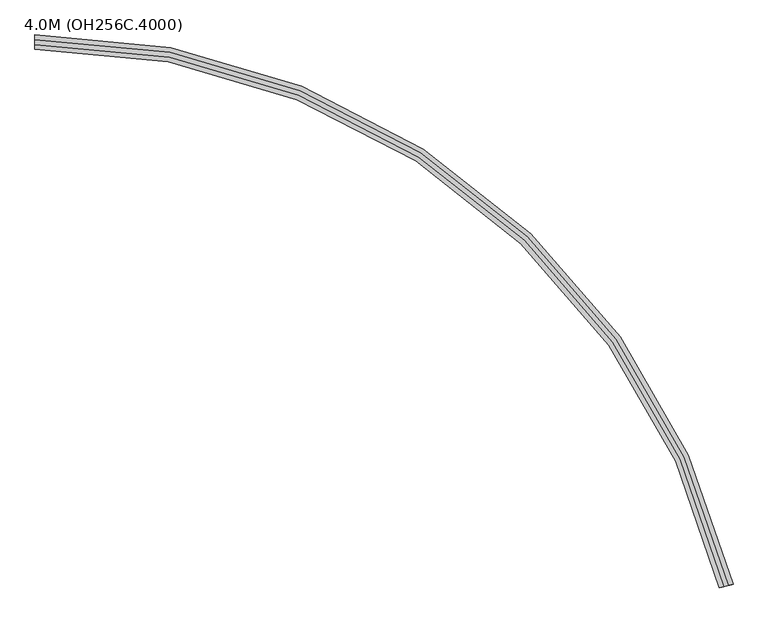
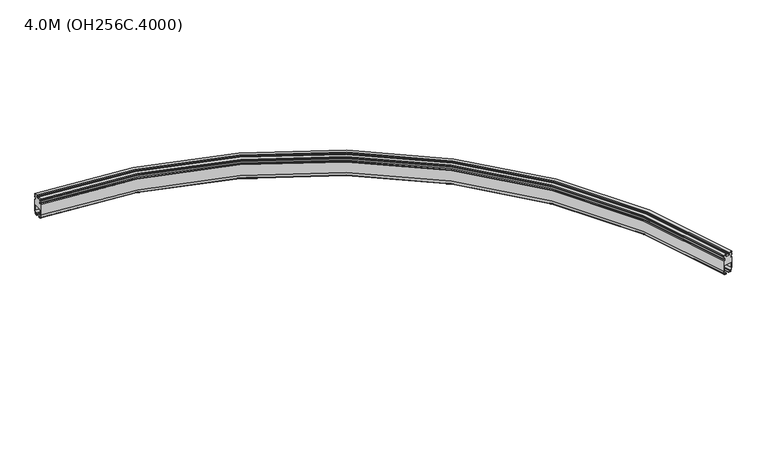
"""IFC4 building model written with IfcOpenShell, lengths in millimetres: proxy geometry, 4.0M (OH256C.4000)."""

from ifc_helpers import new_model, si_unit, point, frame, origin, place, context, project, spatial, polyline, circle_curve, ellipse_curve, trimmed, source, transform, mapped, element, save
from ifc_brep_helpers import plane_surface, cylinder_surface, revolved_surface, advanced_brep


def proxy_4_0m_oh256c_4000_3edce4ec(model_context):
    return source(origin(), model_context, "Body", "AdvancedBrep", [
        advanced_brep(
        [(-413.5740481, 330.0, 94.75), (-413.5740481, 330.0, 25.1), (-413.5740481, 324.2674695, 3.7059048), (-413.5740481, 319.4378403, 0.0), (-413.5740481, 309.025, 0.0), (-413.5740481, 309.025, 4.0), (-413.5740481, 317.9031864, 4.0), (-413.5740481, 320.8009638, 6.2235429), (-413.5740481, 326.0, 25.62661), (-413.5740481, 326.0, 55.0), (-413.5740481, 321.0, 60.0), (-413.5740481, 279.0, 60.0), (-413.5740481, 274.0, 55.0), (-413.5740481, 274.0, 25.62661), (-413.5740481, 279.1990362, 6.2235429), (-413.5740481, 282.0968136, 4.0), (-413.5740481, 290.975, 4.0), (-413.5740481, 290.975, 0.0), (-413.5740481, 280.5621597, 0.0), (-413.5740481, 275.7325305, 3.7059048), (-413.5740481, 270.0, 25.1), (-413.5740481, 270.0, 94.75), (-413.5740481, 277.0, 94.75), (-413.5740481, 277.0, 106.75), (-413.5740481, 270.0, 106.75), (-413.5740481, 270.0, 117.0), (-413.5740481, 276.0, 117.0), (-413.5740481, 276.0, 124.0), (-413.5740481, 270.0, 124.0), (-413.5740481, 270.0, 130.0), (-413.5740481, 289.5, 130.0), (-413.5740481, 289.5, 124.0), (-413.5740481, 283.5, 124.0), (-413.5740481, 283.5, 117.0), (-413.5740481, 289.5, 117.0), (-413.5740481, 289.5, 114.0), (-413.5740481, 310.5, 114.0), (-413.5740481, 310.5, 117.0), (-413.5740481, 316.5, 117.0), (-413.5740481, 316.5, 124.0), (-413.5740481, 310.5, 124.0), (-413.5740481, 310.5, 130.0), (-413.5740481, 330.0, 130.0), (-413.5740481, 330.0, 124.0), (-413.5740481, 324.0, 124.0), (-413.5740481, 324.0, 117.0), (-413.5740481, 330.0, 117.0), (-413.5740481, 330.0, 106.75), (-413.5740481, 323.0, 106.75), (-413.5740481, 323.0, 94.75), (2531.397793, -1987.2301529, 94.75), (2524.5942277, -1988.8768159, 94.75), (2524.5942277, -1988.8768159, 106.75), (2531.397793, -1987.2301529, 106.75), (2531.397793, -1987.2301529, 117.0), (2525.5661656, -1988.6415783, 117.0), (2525.5661656, -1988.6415783, 124.0), (2531.397793, -1987.2301529, 124.0), (2531.397793, -1987.2301529, 130.0), (2512.445004, -1991.8172856, 130.0), (2512.445004, -1991.8172856, 124.0), (2518.2766314, -1990.4058601, 124.0), (2518.2766314, -1990.4058601, 117.0), (2512.445004, -1991.8172856, 117.0), (2512.445004, -1991.8172856, 114.0), (2492.034308, -1996.7572746, 114.0), (2492.034308, -1996.7572746, 117.0), (2486.2026806, -1998.1687001, 117.0), (2486.2026806, -1998.1687001, 124.0), (2492.034308, -1996.7572746, 124.0), (2492.034308, -1996.7572746, 130.0), (2473.081519, -2001.3444073, 130.0), (2473.081519, -2001.3444073, 124.0), (2478.9131464, -1999.9329819, 124.0), (2478.9131464, -1999.9329819, 117.0), (2473.081519, -2001.3444073, 117.0), (2473.081519, -2001.3444073, 106.75), (2479.8850843, -1999.6977443, 106.75), (2479.8850843, -1999.6977443, 94.75), (2473.081519, -2001.3444073, 94.75), (2473.081519, -2001.3444073, 25.1), (2478.6531827, -1999.9959007, 3.7059048), (2483.3472823, -1998.8597905, 0.0), (2493.4679164, -1996.4102992, 0.0), (2493.4679164, -1996.4102992, 4.0), (2484.8388706, -1998.4987822, 4.0), (2482.0224109, -1999.1804483, 6.2235429), (2476.9692706, -2000.403457, 25.62661), (2476.9692706, -2000.403457, 55.0), (2481.8289601, -1999.2272691, 60.0), (2522.6503519, -1989.3472911, 60.0), (2527.5100414, -1988.1711032, 55.0), (2527.5100414, -1988.1711032, 25.62661), (2522.4569011, -1989.3941118, 6.2235429), (2519.6404414, -1990.075778, 4.0), (2511.0113956, -1992.164261, 4.0), (2511.0113956, -1992.164261, 0.0), (2521.1320297, -1989.7147697, 0.0), (2525.8261293, -1988.5786595, 3.7059048), (2531.397793, -1987.2301529, 25.1)],
        [
            (0, 1),
            (1, 2),
            (2, 3, circle_curve(frame((-413.5740481, 319.4378403, 5.0), z_axis=(-1.0000000000000002, 0.0, 0.0), x_axis=(0.0, 0.9659258262890679, -0.2588190451025229)), 5.0)),
            (3, 4),
            (4, 5),
            (5, 6),
            (6, 7, circle_curve(frame((-413.5740481, 317.9031864, 7.0), z_axis=(1.0000000000000002, 0.0, 0.0), x_axis=(0.0, -0.965925826289071, 0.25881904510251114)), 3.0)),
            (7, 8),
            (8, 9),
            (9, 10, circle_curve(frame((-413.5740481, 321.0, 55.0), z_axis=(1.0, 0.0, 0.0), x_axis=(0.0, 0.0, -1.0)), 5.0)),
            (10, 11),
            (11, 12, circle_curve(frame((-413.5740481, 279.0, 55.0), z_axis=(1.0, 0.0, 0.0), x_axis=(0.0, 1.0, 0.0)), 5.0)),
            (12, 13),
            (13, 14),
            (14, 15, circle_curve(frame((-413.5740481, 282.0968136, 7.0), z_axis=(1.0, 0.0, 0.0), x_axis=(0.0, 0.0, 1.0)), 3.0)),
            (15, 16),
            (16, 17),
            (17, 18),
            (18, 19, circle_curve(frame((-413.5740481, 280.5621597, 5.0), z_axis=(-1.0000000000000002, 0.0, 0.0), x_axis=(0.0, -0.9659258262890696, -0.2588190451025158)), 5.0)),
            (19, 20),
            (20, 21),
            (21, 22),
            (22, 23),
            (23, 24),
            (24, 25),
            (25, 26),
            (26, 27),
            (27, 28),
            (28, 29),
            (29, 30),
            (30, 31),
            (31, 32),
            (32, 33),
            (33, 34),
            (34, 35),
            (35, 36),
            (36, 37),
            (37, 38),
            (38, 39),
            (39, 40),
            (40, 41),
            (41, 42),
            (42, 43),
            (43, 44),
            (44, 45),
            (45, 46),
            (46, 47),
            (47, 48),
            (48, 49),
            (49, 0),
            (50, 51),
            (51, 52),
            (52, 53),
            (53, 54),
            (54, 55),
            (55, 56),
            (56, 57),
            (57, 58),
            (58, 59),
            (59, 60),
            (60, 61),
            (61, 62),
            (62, 63),
            (63, 64),
            (64, 65),
            (65, 66),
            (66, 67),
            (67, 68),
            (68, 69),
            (69, 70),
            (70, 71),
            (71, 72),
            (72, 73),
            (73, 74),
            (74, 75),
            (75, 76),
            (76, 77),
            (77, 78),
            (78, 79),
            (79, 80),
            (80, 81),
            (81, 82, circle_curve(frame((2483.3472823, -1998.8597905, 5.0), z_axis=(0.23523757330299594, -0.9719379013633115, 0.0), x_axis=(-0.9388199204760215, -0.22722204736693188, -0.2588190451025128)), 5.0)),
            (82, 83),
            (83, 84),
            (84, 85),
            (85, 86, circle_curve(frame((2484.8388706, -1998.4987822, 7.0), z_axis=(-0.2352375733029958, 0.9719379013633113, 0.0), x_axis=(0.0, 0.0, 1.0)), 3.0)),
            (86, 87),
            (87, 88),
            (88, 89, circle_curve(frame((2481.8289601, -1999.2272691, 55.0), z_axis=(-0.2352375733029958, 0.9719379013633113, 0.0), x_axis=(0.9719379013633113, 0.2352375733029958, 0.0)), 5.0)),
            (89, 90),
            (90, 91, circle_curve(frame((2522.6503519, -1989.3472911, 55.0), z_axis=(-0.2352375733029958, 0.9719379013633113, 0.0), x_axis=(0.0, 0.0, -1.0)), 5.0)),
            (91, 92),
            (92, 93),
            (93, 94, circle_curve(frame((2519.6404414, -1990.075778, 7.0), z_axis=(-0.2352375733029958, 0.9719379013633115, 0.0), x_axis=(-0.9388199204760211, -0.22722204736693205, 0.25881904510251413)), 3.0)),
            (94, 95),
            (95, 96),
            (96, 97),
            (97, 98, circle_curve(frame((2521.1320297, -1989.7147697, 5.0), z_axis=(0.2352375733029958, -0.9719379013633115, 0.0), x_axis=(0.9388199204760181, 0.22722204736693133, -0.2588190451025259)), 5.0)),
            (98, 99),
            (99, 50),
            (99, 1, circle_curve(frame((-413.5740481, -2700.0, 25.1), z_axis=(0.0, 0.0, 1.0), x_axis=(0.0, 1.0, 0.0)), 3030.0)),
            (0, 50, circle_curve(frame((-413.5740481, -2700.0, 94.75), z_axis=(0.0, 0.0, -1.0), x_axis=(0.0, 1.0, 0.0)), 3030.0)),
            (98, 2, circle_curve(frame((-413.5740481, -2700.0, 3.7059048), z_axis=(0.0, 0.0, 1.0), x_axis=(0.0, 1.0, 0.0)), 3024.2674695)),
            (97, 3, circle_curve(frame((-413.5740481, -2700.0, 0.0), z_axis=(0.0, 0.0, 1.0), x_axis=(0.0, 1.0, 0.0)), 3019.4378403)),
            (96, 4, circle_curve(frame((-413.5740481, -2700.0, 0.0), z_axis=(0.0, 0.0, 1.0), x_axis=(0.0, 1.0, 0.0)), 3009.025)),
            (95, 5, circle_curve(frame((-413.5740481, -2700.0, 4.0), z_axis=(0.0, 0.0, 1.0), x_axis=(0.0, 1.0, 0.0)), 3009.025)),
            (94, 6, circle_curve(frame((-413.5740481, -2700.0, 4.0), z_axis=(0.0, 0.0, 1.0), x_axis=(0.0, 1.0, 0.0)), 3017.9031864)),
            (93, 7, circle_curve(frame((-413.5740481, -2700.0, 6.2235429), z_axis=(0.0, 0.0, 1.0), x_axis=(0.0, 1.0, 0.0)), 3020.8009638)),
            (92, 8, circle_curve(frame((-413.5740481, -2700.0, 25.62661), z_axis=(0.0, 0.0, 1.0), x_axis=(0.0, 1.0, 0.0)), 3026.0)),
            (91, 9, circle_curve(frame((-413.5740481, -2700.0, 55.0), z_axis=(0.0, 0.0, 1.0), x_axis=(0.0, 1.0, 0.0)), 3026.0)),
            (90, 10, circle_curve(frame((-413.5740481, -2700.0, 60.0), z_axis=(0.0, 0.0, 1.0), x_axis=(0.0, 1.0, 0.0)), 3021.0)),
            (89, 11, circle_curve(frame((-413.5740481, -2700.0, 60.0), z_axis=(0.0, 0.0, 1.0), x_axis=(0.0, 1.0, 0.0)), 2979.0)),
            (88, 12, circle_curve(frame((-413.5740481, -2700.0, 55.0), z_axis=(0.0, 0.0, 1.0), x_axis=(0.0, 1.0, 0.0)), 2974.0)),
            (87, 13, circle_curve(frame((-413.5740481, -2700.0, 25.62661), z_axis=(0.0, 0.0, 1.0), x_axis=(0.0, 1.0, 0.0)), 2974.0)),
            (86, 14, circle_curve(frame((-413.5740481, -2700.0, 6.2235429), z_axis=(0.0, 0.0, 1.0), x_axis=(0.0, 1.0, 0.0)), 2979.1990362)),
            (85, 15, circle_curve(frame((-413.5740481, -2700.0, 4.0), z_axis=(0.0, 0.0, 1.0), x_axis=(0.0, 1.0, 0.0)), 2982.0968136)),
            (84, 16, circle_curve(frame((-413.5740481, -2700.0, 4.0), z_axis=(0.0, 0.0, 1.0), x_axis=(0.0, 1.0, 0.0)), 2990.975)),
            (83, 17, circle_curve(frame((-413.5740481, -2700.0, 0.0), z_axis=(0.0, 0.0, 1.0), x_axis=(0.0, 1.0, 0.0)), 2990.975)),
            (82, 18, circle_curve(frame((-413.5740481, -2700.0, 0.0), z_axis=(0.0, 0.0, 1.0), x_axis=(0.0, 1.0, 0.0)), 2980.5621597)),
            (81, 19, circle_curve(frame((-413.5740481, -2700.0, 3.7059048), z_axis=(0.0, 0.0, 1.0), x_axis=(0.0, 1.0, 0.0)), 2975.7325305)),
            (80, 20, circle_curve(frame((-413.5740481, -2700.0, 25.1), z_axis=(0.0, 0.0, 1.0), x_axis=(0.0, 1.0, 0.0)), 2970.0)),
            (79, 21, circle_curve(frame((-413.5740481, -2700.0, 94.75), z_axis=(0.0, 0.0, 1.0), x_axis=(0.0, 1.0, 0.0)), 2970.0)),
            (78, 22, circle_curve(frame((-413.5740481, -2700.0, 94.75), z_axis=(0.0, 0.0, 1.0), x_axis=(0.0, 1.0, 0.0)), 2977.0)),
            (77, 23, circle_curve(frame((-413.5740481, -2700.0, 106.75), z_axis=(0.0, 0.0, 1.0), x_axis=(0.0, 1.0, 0.0)), 2977.0)),
            (76, 24, circle_curve(frame((-413.5740481, -2700.0, 106.75), z_axis=(0.0, 0.0, 1.0), x_axis=(0.0, 1.0, 0.0)), 2970.0)),
            (75, 25, circle_curve(frame((-413.5740481, -2700.0, 117.0), z_axis=(0.0, 0.0, 1.0), x_axis=(0.0, 1.0, 0.0)), 2970.0)),
            (74, 26, circle_curve(frame((-413.5740481, -2700.0, 117.0), z_axis=(0.0, 0.0, 1.0), x_axis=(0.0, 1.0, 0.0)), 2976.0)),
            (73, 27, circle_curve(frame((-413.5740481, -2700.0, 124.0), z_axis=(0.0, 0.0, 1.0), x_axis=(0.0, 1.0, 0.0)), 2976.0)),
            (72, 28, circle_curve(frame((-413.5740481, -2700.0, 124.0), z_axis=(0.0, 0.0, 1.0), x_axis=(0.0, 1.0, 0.0)), 2970.0)),
            (71, 29, circle_curve(frame((-413.5740481, -2700.0, 130.0), z_axis=(0.0, 0.0, 1.0), x_axis=(0.0, 1.0, 0.0)), 2970.0)),
            (70, 30, circle_curve(frame((-413.5740481, -2700.0, 130.0), z_axis=(0.0, 0.0, 1.0), x_axis=(0.0, 1.0, 0.0)), 2989.5)),
            (69, 31, circle_curve(frame((-413.5740481, -2700.0, 124.0), z_axis=(0.0, 0.0, 1.0), x_axis=(0.0, 1.0, 0.0)), 2989.5)),
            (68, 32, circle_curve(frame((-413.5740481, -2700.0, 124.0), z_axis=(0.0, 0.0, 1.0), x_axis=(0.0, 1.0, 0.0)), 2983.5)),
            (67, 33, circle_curve(frame((-413.5740481, -2700.0, 117.0), z_axis=(0.0, 0.0, 1.0), x_axis=(0.0, 1.0, 0.0)), 2983.5)),
            (66, 34, circle_curve(frame((-413.5740481, -2700.0, 117.0), z_axis=(0.0, 0.0, 1.0), x_axis=(0.0, 1.0, 0.0)), 2989.5)),
            (65, 35, circle_curve(frame((-413.5740481, -2700.0, 114.0), z_axis=(0.0, 0.0, 1.0), x_axis=(0.0, 1.0, 0.0)), 2989.5)),
            (64, 36, circle_curve(frame((-413.5740481, -2700.0, 114.0), z_axis=(0.0, 0.0, 1.0), x_axis=(0.0, 1.0, 0.0)), 3010.5)),
            (63, 37, circle_curve(frame((-413.5740481, -2700.0, 117.0), z_axis=(0.0, 0.0, 1.0), x_axis=(0.0, 1.0, 0.0)), 3010.5)),
            (62, 38, circle_curve(frame((-413.5740481, -2700.0, 117.0), z_axis=(0.0, 0.0, 1.0), x_axis=(0.0, 1.0, 0.0)), 3016.5)),
            (61, 39, circle_curve(frame((-413.5740481, -2700.0, 124.0), z_axis=(0.0, 0.0, 1.0), x_axis=(0.0, 1.0, 0.0)), 3016.5)),
            (60, 40, circle_curve(frame((-413.5740481, -2700.0, 124.0), z_axis=(0.0, 0.0, 1.0), x_axis=(0.0, 1.0, 0.0)), 3010.5)),
            (59, 41, circle_curve(frame((-413.5740481, -2700.0, 130.0), z_axis=(0.0, 0.0, 1.0), x_axis=(0.0, 1.0, 0.0)), 3010.5)),
            (58, 42, circle_curve(frame((-413.5740481, -2700.0, 130.0), z_axis=(0.0, 0.0, 1.0), x_axis=(0.0, 1.0, 0.0)), 3030.0)),
            (57, 43, circle_curve(frame((-413.5740481, -2700.0, 124.0), z_axis=(0.0, 0.0, 1.0), x_axis=(0.0, 1.0, 0.0)), 3030.0)),
            (56, 44, circle_curve(frame((-413.5740481, -2700.0, 124.0), z_axis=(0.0, 0.0, 1.0), x_axis=(0.0, 1.0, 0.0)), 3024.0)),
            (55, 45, circle_curve(frame((-413.5740481, -2700.0, 117.0), z_axis=(0.0, 0.0, 1.0), x_axis=(0.0, 1.0, 0.0)), 3024.0)),
            (54, 46, circle_curve(frame((-413.5740481, -2700.0, 117.0), z_axis=(0.0, 0.0, 1.0), x_axis=(0.0, 1.0, 0.0)), 3030.0)),
            (53, 47, circle_curve(frame((-413.5740481, -2700.0, 106.75), z_axis=(0.0, 0.0, 1.0), x_axis=(0.0, 1.0, 0.0)), 3030.0)),
            (52, 48, circle_curve(frame((-413.5740481, -2700.0, 106.75), z_axis=(0.0, 0.0, 1.0), x_axis=(0.0, 1.0, 0.0)), 3023.0)),
            (51, 49, circle_curve(frame((-413.5740481, -2700.0, 94.75), z_axis=(0.0, 0.0, 1.0), x_axis=(0.0, 1.0, 0.0)), 3023.0)),
        ],
        [
            plane_surface(frame((-413.5740481, 300.0, 0.0), z_axis=(-1.0, 0.0, 0.0), x_axis=(0.0, 0.0, 1.0))),
            plane_surface(frame((2502.239656, -1994.2872801, 0.0), z_axis=(0.23523757330299588, -0.9719379013633113, 0.0), x_axis=(0.0, 0.0, 1.0))),
            cylinder_surface(frame((-413.5740481, -2700.0, 0.0), z_axis=(0.0, 0.0, -1.0), x_axis=(0.0, 1.0, 0.0)), 3030.0),
            revolved_surface(polyline([(-413.5740481, 330.0, 25.1), (-413.5740481, 324.2674695, 3.7059048)]), (-413.5740481, -2700.0, 0.0), (0.0, 0.0, -1.0)),
            revolved_surface(trimmed(ellipse_curve(frame((-413.5740481, 319.4378403, 5.0), z_axis=(-1.0000000000000002, 0.0, 0.0), x_axis=(0.0, 0.9659258262890679, -0.2588190451025229)), 5.0, 5.0), [point((-413.5740481, 324.2674695, 3.7059048))], [point((-413.5740481, 319.4378403, 0.0))], True, "CARTESIAN"), (-413.5740481, -2700.0, 0.0), (0.0, 0.0, -1.0)),
            plane_surface(frame((-413.5740481, -2700.0, 0.0), z_axis=(0.0, 0.0, -1.0), x_axis=(0.0, 1.0, 0.0))),
            revolved_surface(polyline([(-413.5740481, 309.0250000000001, 0.0), (-413.5740481, 309.0250000000001, 4.0)]), (-413.5740481, -2700.0, 0.0), (0.0, 0.0, -1.0)),
            plane_surface(frame((-413.5740481, -2700.0, 4.0), z_axis=(0.0, 0.0, 1.0), x_axis=(0.0, 1.0, 0.0))),
            revolved_surface(trimmed(ellipse_curve(frame((-413.5740481, 317.9031864, 7.0), z_axis=(1.0000000000000002, 0.0, 0.0), x_axis=(0.0, -0.965925826289071, 0.25881904510251114)), 3.0, 3.0), [point((-413.5740481, 317.9031864, 4.0))], [point((-413.5740481, 320.8009638, 6.2235429))], True, "CARTESIAN"), (-413.5740481, -2700.0, 0.0), (0.0, 0.0, -1.0)),
            revolved_surface(polyline([(-413.5740481, 320.8009638, 6.2235429), (-413.5740481, 326.0, 25.62661)]), (-413.5740481, -2700.0, 0.0), (0.0, 0.0, -1.0)),
            revolved_surface(polyline([(-413.5740481, 326.0, 25.62661), (-413.5740481, 326.0, 55.0)]), (-413.5740481, -2700.0, 0.0), (0.0, 0.0, -1.0)),
            revolved_surface(trimmed(ellipse_curve(frame((-413.5740481, 321.0, 55.0), z_axis=(1.0, 0.0, 0.0), x_axis=(0.0, 0.0, -1.0)), 5.0, 5.0), [point((-413.5740481, 326.0, 55.0))], [point((-413.5740481, 321.0, 60.0))], True, "CARTESIAN"), (-413.5740481, -2700.0, 0.0), (0.0, 0.0, -1.0)),
            plane_surface(frame((-413.5740481, -2700.0, 60.0), z_axis=(0.0, 0.0, -1.0), x_axis=(0.0, 1.0, 0.0))),
            revolved_surface(trimmed(ellipse_curve(frame((-413.5740481, 279.0, 55.0), z_axis=(1.0, 0.0, 0.0), x_axis=(0.0, 1.0, 0.0)), 5.0, 5.0), [point((-413.5740481, 279.0, 60.0))], [point((-413.5740481, 274.0, 55.0))], True, "CARTESIAN"), (-413.5740481, -2700.0, 0.0), (0.0, 0.0, -1.0)),
            cylinder_surface(frame((-413.5740481, -2700.0, 0.0), z_axis=(0.0, 0.0, -1.0), x_axis=(0.0, 1.0, 0.0)), 2974.0),
            revolved_surface(polyline([(-413.5740481, 274.0, 25.62661), (-413.5740481, 279.1990362, 6.2235429)]), (-413.5740481, -2700.0, 0.0), (0.0, 0.0, -1.0)),
            revolved_surface(trimmed(ellipse_curve(frame((-413.5740481, 282.0968136, 7.0), z_axis=(1.0, 0.0, 0.0), x_axis=(0.0, 0.0, 1.0)), 3.0, 3.0), [point((-413.5740481, 279.1990362, 6.2235429))], [point((-413.5740481, 282.0968136, 4.0))], True, "CARTESIAN"), (-413.5740481, -2700.0, 0.0), (0.0, 0.0, -1.0)),
            cylinder_surface(frame((-413.5740481, -2700.0, 0.0), z_axis=(0.0, 0.0, -1.0), x_axis=(0.0, 1.0, 0.0)), 2990.975),
            revolved_surface(trimmed(ellipse_curve(frame((-413.5740481, 280.5621597, 5.0), z_axis=(-1.0000000000000002, 0.0, 0.0), x_axis=(0.0, -0.9659258262890696, -0.2588190451025158)), 5.0, 5.0), [point((-413.5740481, 280.5621597, 0.0))], [point((-413.5740481, 275.7325305, 3.7059048))], True, "CARTESIAN"), (-413.5740481, -2700.0, 0.0), (0.0, 0.0, -1.0)),
            revolved_surface(polyline([(-413.5740481, 275.7325305, 3.7059048), (-413.5740481, 270.0, 25.1)]), (-413.5740481, -2700.0, 0.0), (0.0, 0.0, -1.0)),
            revolved_surface(polyline([(-413.5740481, 270.0, 25.1), (-413.5740481, 270.0, 94.75)]), (-413.5740481, -2700.0, 0.0), (0.0, 0.0, -1.0)),
            plane_surface(frame((-413.5740481, -2700.0, 94.75), z_axis=(0.0, 0.0, 1.0), x_axis=(0.0, 1.0, 0.0))),
            revolved_surface(polyline([(-413.5740481, 277.0, 94.75), (-413.5740481, 277.0, 106.75)]), (-413.5740481, -2700.0, 0.0), (0.0, 0.0, -1.0)),
            plane_surface(frame((-413.5740481, -2700.0, 106.75), z_axis=(0.0, 0.0, -1.0), x_axis=(0.0, 1.0, 0.0))),
            revolved_surface(polyline([(-413.5740481, 270.0, 106.75), (-413.5740481, 270.0, 117.0)]), (-413.5740481, -2700.0, 0.0), (0.0, 0.0, -1.0)),
            plane_surface(frame((-413.5740481, -2700.0, 117.0), z_axis=(0.0, 0.0, 1.0), x_axis=(0.0, 1.0, 0.0))),
            revolved_surface(polyline([(-413.5740481, 276.0, 117.0), (-413.5740481, 276.0, 124.0)]), (-413.5740481, -2700.0, 0.0), (0.0, 0.0, -1.0)),
            plane_surface(frame((-413.5740481, -2700.0, 124.0), z_axis=(0.0, 0.0, -1.0), x_axis=(0.0, 1.0, 0.0))),
            revolved_surface(polyline([(-413.5740481, 270.0, 124.0), (-413.5740481, 270.0, 130.0)]), (-413.5740481, -2700.0, 0.0), (0.0, 0.0, -1.0)),
            plane_surface(frame((-413.5740481, -2700.0, 130.0), z_axis=(0.0, 0.0, 1.0), x_axis=(0.0, 1.0, 0.0))),
            cylinder_surface(frame((-413.5740481, -2700.0, 0.0), z_axis=(0.0, 0.0, -1.0), x_axis=(0.0, 1.0, 0.0)), 2989.5),
            cylinder_surface(frame((-413.5740481, -2700.0, 0.0), z_axis=(0.0, 0.0, -1.0), x_axis=(0.0, 1.0, 0.0)), 2983.5),
            plane_surface(frame((-413.5740481, -2700.0, 114.0), z_axis=(0.0, 0.0, 1.0), x_axis=(0.0, 1.0, 0.0))),
            revolved_surface(polyline([(-413.5740481, 310.5, 114.0), (-413.5740481, 310.5, 117.0)]), (-413.5740481, -2700.0, 0.0), (0.0, 0.0, -1.0)),
            revolved_surface(polyline([(-413.5740481, 316.5, 117.0), (-413.5740481, 316.5, 124.0)]), (-413.5740481, -2700.0, 0.0), (0.0, 0.0, -1.0)),
            revolved_surface(polyline([(-413.5740481, 310.5, 124.0), (-413.5740481, 310.5, 130.0)]), (-413.5740481, -2700.0, 0.0), (0.0, 0.0, -1.0)),
            cylinder_surface(frame((-413.5740481, -2700.0, 0.0), z_axis=(0.0, 0.0, -1.0), x_axis=(0.0, 1.0, 0.0)), 3024.0),
            cylinder_surface(frame((-413.5740481, -2700.0, 0.0), z_axis=(0.0, 0.0, -1.0), x_axis=(0.0, 1.0, 0.0)), 3023.0),
        ],
        [
            (0, [[1, 2, 3, 4, 5, 6, 7, 8, 9, 10, 11, 12, 13, 14, 15, 16, 17, 18, 19, 20, 21, 22, 23, 24, 25, 26, 27, 28, 29, 30, 31, 32, 33, 34, 35, 36, 37, 38, 39, 40, 41, 42, 43, 44, 45, 46, 47, 48, 49, 50]]),
            (1, [[51, 52, 53, 54, 55, 56, 57, 58, 59, 60, 61, 62, 63, 64, 65, 66, 67, 68, 69, 70, 71, 72, 73, 74, 75, 76, 77, 78, 79, 80, 81, 82, 83, 84, 85, 86, 87, 88, 89, 90, 91, 92, 93, 94, 95, 96, 97, 98, 99, 100]]),
            (2, [[101, -1, 102, -100]]),
            (3, [[103, -2, -101, -99]]),
            (4, [[104, -3, -103, -98]]),
            (5, [[105, -4, -104, -97]]),
            (6, [[106, -5, -105, -96]]),
            (7, [[107, -6, -106, -95]]),
            (8, [[108, -7, -107, -94]]),
            (9, [[109, -8, -108, -93]]),
            (10, [[110, -9, -109, -92]]),
            (11, [[111, -10, -110, -91]]),
            (12, [[112, -11, -111, -90]]),
            (13, [[113, -12, -112, -89]]),
            (14, [[114, -13, -113, -88]]),
            (15, [[115, -14, -114, -87]]),
            (16, [[116, -15, -115, -86]]),
            (7, [[117, -16, -116, -85]]),
            (17, [[118, -17, -117, -84]]),
            (5, [[119, -18, -118, -83]]),
            (18, [[120, -19, -119, -82]]),
            (19, [[121, -20, -120, -81]]),
            (20, [[122, -21, -121, -80]]),
            (21, [[123, -22, -122, -79]]),
            (22, [[124, -23, -123, -78]]),
            (23, [[125, -24, -124, -77]]),
            (24, [[126, -25, -125, -76]]),
            (25, [[127, -26, -126, -75]]),
            (26, [[128, -27, -127, -74]]),
            (27, [[129, -28, -128, -73]]),
            (28, [[130, -29, -129, -72]]),
            (29, [[131, -30, -130, -71]]),
            (30, [[132, -31, -131, -70]]),
            (27, [[133, -32, -132, -69]]),
            (31, [[134, -33, -133, -68]]),
            (25, [[135, -34, -134, -67]]),
            (30, [[136, -35, -135, -66]]),
            (32, [[137, -36, -136, -65]]),
            (33, [[138, -37, -137, -64]]),
            (25, [[139, -38, -138, -63]]),
            (34, [[140, -39, -139, -62]]),
            (27, [[141, -40, -140, -61]]),
            (35, [[142, -41, -141, -60]]),
            (29, [[143, -42, -142, -59]]),
            (2, [[144, -43, -143, -58]]),
            (27, [[145, -44, -144, -57]]),
            (36, [[146, -45, -145, -56]]),
            (25, [[147, -46, -146, -55]]),
            (2, [[148, -47, -147, -54]]),
            (23, [[149, -48, -148, -53]]),
            (37, [[150, -49, -149, -52]]),
            (21, [[-102, -50, -150, -51]]),
        ],
    ),
    ])


if __name__ == "__main__":
    model = new_model("IFC4")
    model_context = context("Model", 3, world=origin())
    ifc_project = project(units=[si_unit("LENGTHUNIT", "METRE", prefix="MILLI")], contexts=[model_context])
    site = spatial("IfcSite", under=ifc_project)
    building = spatial("IfcBuilding", under=site)
    placement = place(None, origin())
    proxy_4_0m_oh256c_4000_shape = proxy_4_0m_oh256c_4000_3edce4ec(model_context)
    element("IfcBuildingElementProxy", 1, Name="4.0M (OH256C.4000)", ObjectType="4.0M (OH256C.4000)", at=placement, inside=building, context=model_context, shape_type="MappedRepresentation", body=[
        mapped(proxy_4_0m_oh256c_4000_shape, transform((0.0, 0.0, 0.0), x_axis=(1.0, 0.0, 0.0), y_axis=(0.0, 1.0, 0.0), z_axis=(0.0, 0.0, 1.0))),
    ])
    save(model, "model.ifc")
